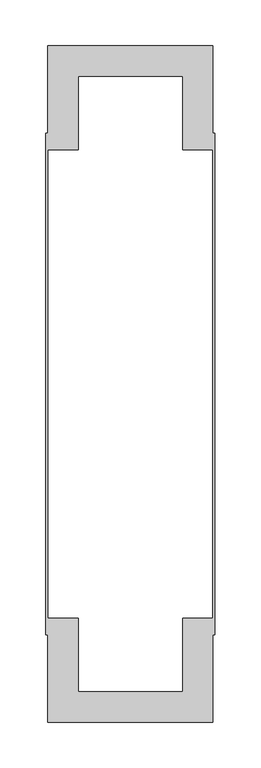
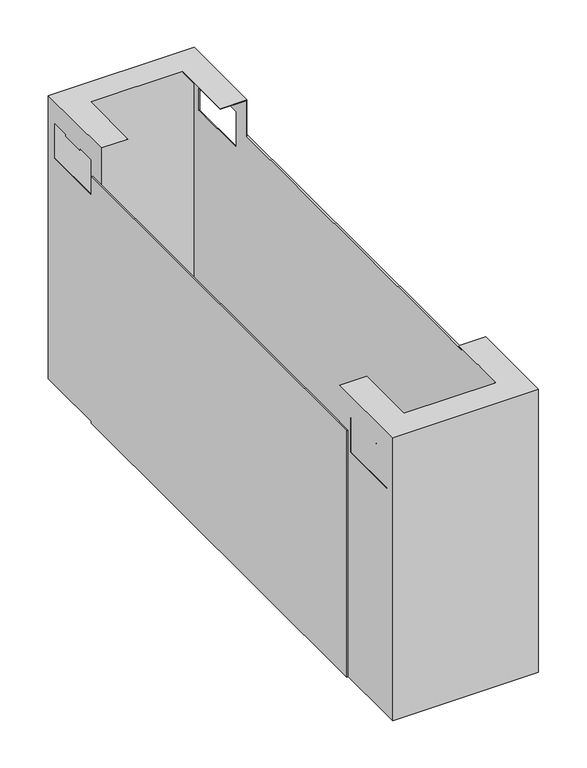
"""IFC4 building model written with IfcOpenShell, lengths in millimetres: furniture geometry."""

from ifc_helpers import new_model, si_unit, origin, place, context, project, spatial, triangles, source, transform, mapped, element, save


def furniture_8587b0b7(model_context):
    return source(origin(), model_context, "Body", "Tessellation", [
        triangles([(2988.3206012, 3530.9568583, 442.1000133), (3166.5206252, 3530.9568583, 442.1000133), (2988.3206012, 3530.9568583, 73.0), (3166.5206252, 3530.9568583, 73.0), (3167.4205703, 3530.0569133, 442.9999947), (3134.4205497, 3563.0568612, 442.9999947), (2987.4206561, 3530.0569133, 442.9999947), (3020.4205314, 3563.0568612, 442.9999947), (2987.4206561, 3643.0568836, 442.9999947), (3020.4205314, 3643.0568836, 442.9999947), (3167.4205703, 3643.0568836, 442.9999947), (3134.4205497, 3643.0568836, 442.9999947), (3167.4205703, 3530.0569133, 73.0), (2987.4206561, 3530.0569133, 73.0), (3166.5206252, 3621.4568939, 368.3000121), (3166.5206252, 3542.0569075, 368.3000121), (3166.5206252, 3542.0569075, 414.7000142), (3166.5206252, 3566.7568534, 414.7000142), (3166.5206252, 3596.7568754, 414.7000142), (3166.5206252, 3566.7568534, 412.1999851), (3166.5206252, 3596.7568754, 412.1999851), (3166.5206252, 3621.4568939, 414.7000142), (3166.5206252, 3643.0568836, 442.1000133), (3166.5206252, 3643.0568836, 73.0), (2987.4206561, 3621.4568939, 414.7000142), (2987.4206561, 3621.4568939, 368.3000121), (2987.4206561, 3643.0568836, 73.0), (2987.4206561, 3596.7568754, 414.7000142), (2987.4206561, 3566.7568534, 414.7000142), (2987.4206561, 3542.0569075, 414.7000142), (2987.4206561, 3596.7568754, 412.1999851), (2987.4206561, 3566.7568534, 412.1999851), (2987.4206561, 3542.0569075, 368.3000121), (3134.4205497, 3563.0568612, 442.1000133), (3020.4205314, 3563.0568612, 442.1000133), (2988.3206012, 3643.0568836, 442.1000133), (3020.4205314, 3643.0568836, 442.1000133), (3134.4205497, 3643.0568836, 442.1000133), (3167.4205703, 3542.0569075, 368.3000121), (3167.4205703, 3542.0569075, 414.7000142), (3167.4205703, 3566.7568534, 414.7000142), (3167.4205703, 3621.4568939, 368.3000121), (3167.4205703, 3643.0568836, 73.0), (3167.4205703, 3596.7568754, 414.7000142), (3167.4205703, 3621.4568939, 414.7000142), (3167.4205703, 3566.7568534, 412.1999851), (3167.4205703, 3596.7568754, 412.1999851), (2988.3206012, 3542.0569075, 368.3000121), (2988.3206012, 3542.0569075, 414.7000142), (2988.3206012, 3566.7568534, 414.7000142), (2988.3206012, 3621.4568939, 368.3000121), (2988.3206012, 3643.0568836, 73.0), (2988.3206012, 3596.7568754, 414.7000142), (2988.3206012, 3621.4568939, 414.7000142), (2988.3206012, 3566.7568534, 412.1999851), (2988.3206012, 3596.7568754, 412.1999851), (2985.3206389, 3625.1068891, 73.0), (2987.4206561, 3625.1068891, 73.0), (2985.3206389, 3625.1068891, 395.0000175), (2987.4206561, 3625.1068891, 395.0000175), (2985.3206389, 4172.0068804, 73.0), (2985.3206389, 4172.0068804, 395.0000175), (2987.4206561, 4172.0068804, 73.0), (2987.4206561, 4172.0068804, 395.0000175), (3167.4205703, 3625.1068891, 73.0), (3169.5205874, 3625.1068891, 73.0), (3167.4205703, 3625.1068891, 395.0000175), (3169.5205874, 3625.1068891, 395.0000175), (3167.4205703, 4172.0068804, 73.0), (3167.4205703, 4172.0068804, 395.0000175), (3169.5205874, 4172.0068804, 73.0), (3169.5205874, 4172.0068804, 395.0000175), (3166.5206252, 4266.1568817, 442.1000133), (2988.3206012, 4266.1568817, 442.1000133), (3166.5206252, 4266.1568817, 73.0), (2988.3206012, 4266.1568817, 73.0), (3167.4205703, 4154.0568791, 442.9999947), (3167.4205703, 4267.0568813, 442.9999947), (3134.4205497, 4234.0568834, 442.9999947), (2987.4206561, 4267.0568813, 442.9999947), (3020.4205314, 4234.0568834, 442.9999947), (2987.4206561, 4154.0568791, 442.9999947), (3020.4205314, 4154.0568791, 442.9999947), (3134.4205497, 4154.0568791, 442.9999947), (2987.4206561, 4267.0568813, 73.0), (3167.4205703, 4267.0568813, 73.0), (3166.5206252, 4255.0568825, 368.3000121), (3166.5206252, 4175.6568813, 368.3000121), (3166.5206252, 4154.0568791, 73.0), (3166.5206252, 4154.0568791, 442.1000133), (3166.5206252, 4255.0568825, 414.7000142), (3166.5206252, 4230.3568821, 414.7000142), (3166.5206252, 4230.3568821, 412.1999851), (3166.5206252, 4200.3568811, 412.1999851), (3166.5206252, 4200.3568811, 414.7000142), (3166.5206252, 4175.6568813, 414.7000142), (2987.4206561, 4200.3568811, 414.7000142), (2987.4206561, 4175.6568813, 414.7000142), (2987.4206561, 4175.6568813, 368.3000121), (2987.4206561, 4154.0568791, 73.0), (2987.4206561, 4255.0568825, 368.3000121), (2987.4206561, 4255.0568825, 414.7000142), (2987.4206561, 4230.3568821, 414.7000142), (2987.4206561, 4230.3568821, 412.1999851), (2987.4206561, 4200.3568811, 412.1999851), (3134.4205497, 4234.0568834, 442.1000133), (3020.4205314, 4234.0568834, 442.1000133), (2988.3206012, 4154.0568791, 442.1000133), (3020.4205314, 4154.0568791, 442.1000133), (3134.4205497, 4154.0568791, 442.1000133), (3167.4205703, 4255.0568825, 368.3000121), (3167.4205703, 4175.6568813, 368.3000121), (3167.4205703, 4154.0568791, 73.0), (3167.4205703, 4175.6568813, 414.7000142), (3167.4205703, 4200.3568811, 414.7000142), (3167.4205703, 4230.3568821, 414.7000142), (3167.4205703, 4255.0568825, 414.7000142), (3167.4205703, 4200.3568811, 412.1999851), (3167.4205703, 4230.3568821, 412.1999851), (2988.3206012, 4255.0568825, 368.3000121), (2988.3206012, 4175.6568813, 368.3000121), (2988.3206012, 4154.0568791, 73.0), (2988.3206012, 4175.6568813, 414.7000142), (2988.3206012, 4200.3568811, 414.7000142), (2988.3206012, 4230.3568821, 414.7000142), (2988.3206012, 4255.0568825, 414.7000142), (2988.3206012, 4200.3568811, 412.1999851), (2988.3206012, 4230.3568821, 412.1999851)], [[1, 2, 3], [3, 2, 4], [5, 6, 7], [7, 6, 8], [7, 8, 9], [9, 8, 10], [5, 11, 6], [6, 11, 12], [5, 7, 13], [13, 7, 14], [15, 4, 16], [2, 16, 4], [16, 2, 17], [18, 17, 2], [19, 18, 2], [18, 19, 20], [20, 19, 21], [15, 22, 23], [24, 15, 23], [15, 24, 4], [23, 22, 19], [23, 19, 2], [26, 25, 9], [27, 26, 9], [26, 27, 14], [9, 25, 28], [9, 28, 7], [7, 28, 29], [7, 29, 30], [31, 32, 28], [28, 32, 29], [7, 30, 33], [7, 33, 14], [14, 33, 26], [23, 2, 34], [1, 34, 2], [34, 1, 35], [36, 35, 1], [35, 36, 37], [34, 38, 23], [34, 35, 6], [6, 35, 8], [6, 12, 34], [34, 12, 38], [13, 39, 5], [5, 39, 40], [5, 40, 41], [42, 39, 13], [42, 13, 43], [11, 42, 43], [5, 44, 11], [11, 44, 45], [11, 45, 42], [46, 47, 41], [41, 47, 44], [5, 41, 44], [35, 37, 8], [8, 37, 10], [3, 48, 1], [1, 48, 49], [1, 49, 50], [51, 48, 3], [51, 3, 52], [36, 51, 52], [1, 53, 36], [36, 53, 54], [36, 54, 51], [55, 56, 50], [50, 56, 53], [1, 50, 53], [25, 26, 54], [54, 26, 51], [26, 33, 51], [51, 33, 48], [33, 30, 48], [48, 30, 49], [55, 50, 32], [32, 50, 29], [32, 31, 55], [55, 31, 56], [30, 29, 49], [49, 29, 50], [28, 25, 53], [53, 25, 54], [31, 28, 56], [56, 28, 53], [39, 42, 16], [16, 42, 15], [42, 45, 15], [15, 45, 22], [40, 39, 17], [17, 39, 16], [20, 21, 46], [46, 21, 47], [46, 41, 20], [20, 41, 18], [41, 40, 18], [18, 40, 17], [21, 19, 47], [47, 19, 44], [45, 44, 22], [22, 44, 19], [38, 12, 23], [11, 23, 12], [43, 23, 11], [43, 24, 23], [24, 43, 4], [13, 4, 43], [14, 4, 13], [4, 14, 3], [27, 3, 14], [3, 27, 52], [52, 27, 36], [9, 36, 27], [10, 36, 9], [10, 37, 36], [57, 58, 59], [59, 58, 60], [61, 57, 62], [62, 57, 59], [63, 61, 64], [64, 61, 62], [58, 63, 60], [60, 63, 64], [64, 62, 60], [60, 62, 59], [58, 57, 63], [63, 57, 61], [65, 66, 67], [67, 66, 68], [69, 65, 70], [70, 65, 67], [71, 69, 72], [72, 69, 70], [66, 71, 68], [68, 71, 72], [72, 70, 68], [68, 70, 67], [66, 65, 71], [71, 65, 69], [73, 74, 75], [75, 74, 76], [77, 78, 79], [80, 79, 78], [79, 80, 81], [82, 81, 80], [81, 82, 83], [79, 84, 77], [80, 78, 85], [85, 78, 86], [88, 87, 75], [88, 75, 89], [90, 88, 89], [75, 87, 73], [73, 87, 91], [73, 91, 92], [93, 94, 92], [92, 94, 95], [73, 92, 95], [73, 95, 90], [90, 95, 96], [90, 96, 88], [97, 98, 82], [82, 98, 99], [82, 99, 100], [100, 99, 85], [85, 99, 101], [85, 101, 80], [80, 101, 102], [80, 102, 103], [104, 105, 103], [103, 105, 97], [80, 103, 97], [80, 97, 82], [73, 106, 74], [74, 106, 107], [74, 107, 108], [108, 107, 109], [73, 90, 106], [106, 90, 110], [79, 81, 106], [106, 81, 107], [106, 110, 79], [79, 110, 84], [78, 111, 86], [86, 111, 112], [86, 112, 113], [113, 112, 77], [77, 112, 114], [77, 114, 115], [77, 115, 78], [78, 115, 116], [78, 116, 117], [118, 119, 115], [115, 119, 116], [78, 117, 111], [109, 107, 83], [83, 107, 81], [74, 120, 76], [76, 120, 121], [76, 121, 122], [122, 121, 108], [108, 121, 123], [108, 123, 124], [108, 124, 74], [74, 124, 125], [74, 125, 126], [127, 128, 124], [124, 128, 125], [74, 126, 120], [99, 98, 121], [121, 98, 123], [101, 99, 120], [120, 99, 121], [102, 101, 126], [126, 101, 120], [125, 128, 103], [103, 128, 104], [128, 127, 104], [104, 127, 105], [103, 102, 125], [125, 102, 126], [98, 97, 123], [123, 97, 124], [97, 105, 124], [124, 105, 127], [112, 111, 88], [88, 111, 87], [114, 112, 96], [96, 112, 88], [111, 117, 87], [87, 117, 91], [94, 93, 118], [118, 93, 119], [93, 92, 119], [119, 92, 116], [117, 116, 91], [91, 116, 92], [95, 94, 115], [115, 94, 118], [115, 114, 95], [95, 114, 96], [113, 77, 90], [84, 90, 77], [90, 84, 110], [90, 89, 113], [85, 86, 75], [113, 75, 86], [75, 113, 89], [75, 76, 85], [85, 76, 100], [100, 76, 122], [83, 82, 108], [100, 108, 82], [108, 100, 122], [108, 109, 83]]),
    ])


if __name__ == "__main__":
    model = new_model("IFC4")
    model_context = context("Model", 3, world=origin())
    ifc_project = project(units=[si_unit("LENGTHUNIT", "METRE", prefix="MILLI")], contexts=[model_context])
    site = spatial("IfcSite", under=ifc_project)
    building = spatial("IfcBuilding", under=site)
    placement = place(None, origin())
    furniture_shape = furniture_8587b0b7(model_context)
    element("IfcFurniture", 1, at=placement, inside=building, context=model_context, shape_type="MappedRepresentation", body=[
        mapped(furniture_shape, transform((0.0, 0.0, 0.0), x_axis=(1.0, 0.0, 0.0), y_axis=(0.0, 1.0, 0.0), z_axis=(0.0, 0.0, 1.0))),
    ])
    save(model, "model.ifc")
